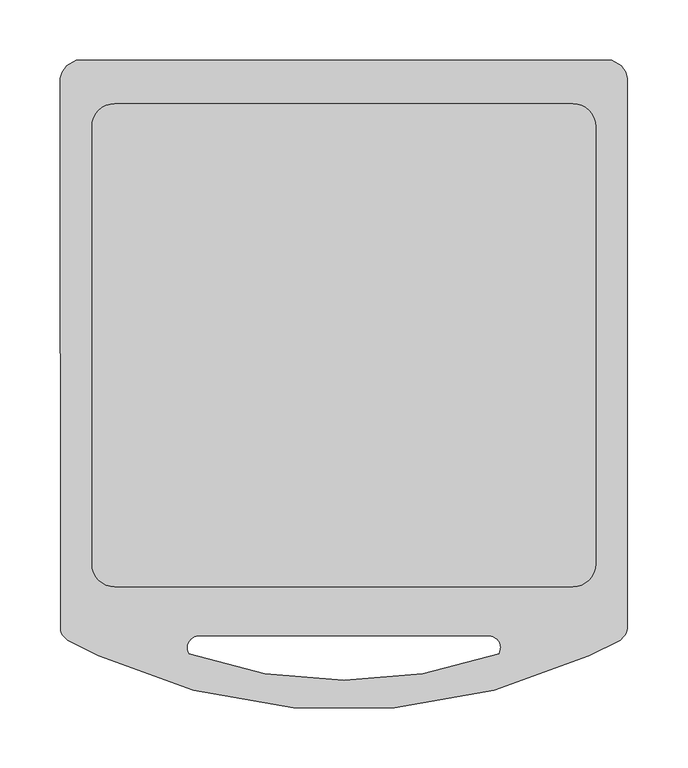
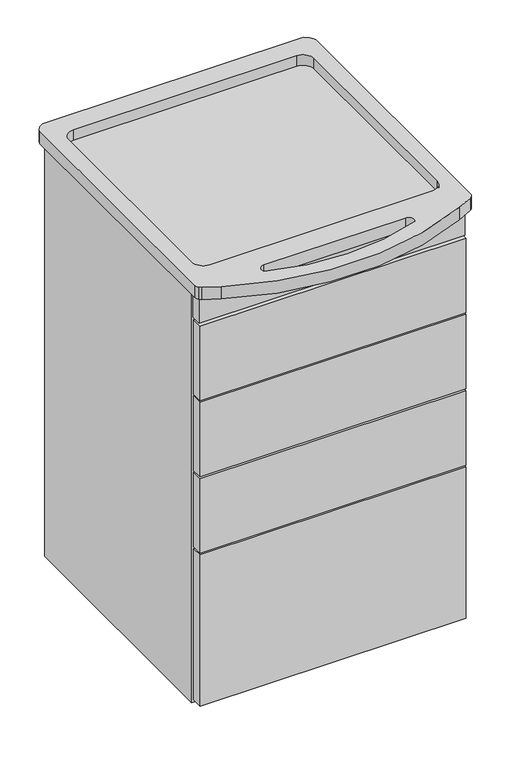
"""IFC4 building model written with IfcOpenShell, lengths in millimetres: furniture geometry."""

import ifcopenshell
import ifcopenshell.guid

model = None  # the IFC model being written
_history = None  # IfcOwnerHistory: only IFC2X3 demands one
_inside = {}  # id of a spatial element -> (the spatial element, [elements in it])
_under = {}  # id of a project, library or spatial element -> (it, [spatial elements below it])
_declared = {}  # id of a project -> (the project, [libraries it declares])
_typed = {}  # id of a type object -> (the type object, [elements of that type])
_made_of = {}  # id of a material, layer set ... -> (it, [elements and type objects made of it])


def new_model(schema):
    """Start an empty IFC model of exactly this schema.

    Asked for "IFC4X3", IfcOpenShell would pick the latest addendum, in which some entities
    have other attributes; the version numbers below select the first issue.
    IFC2X3 requires an IfcOwnerHistory on every rooted entity: one is made here for all.
    """
    global model, _history
    if schema == "IFC4X3":
        model = ifcopenshell.file(schema_version=(4, 3, 0, 0))
    else:
        model = ifcopenshell.file(schema=schema)
    _inside.clear()
    _under.clear()
    _declared.clear()
    _typed.clear()
    _made_of.clear()
    _history = None
    if model.schema == "IFC2X3":
        org = make("IfcOrganization", Name="unknown")
        user = make(
            "IfcPersonAndOrganization",
            ThePerson=make("IfcPerson", FamilyName="unknown"),
            TheOrganization=org,
        )
        app = make(
            "IfcApplication",
            ApplicationDeveloper=org,
            Version="unknown",
            ApplicationFullName="unknown",
            ApplicationIdentifier="unknown",
        )
        _history = make(
            "IfcOwnerHistory",
            OwningUser=user,
            OwningApplication=app,
            ChangeAction="ADDED",
            CreationDate=0,
        )
    return model


def make(cls, **values):
    """One entity of the class cls with the attributes given. An attribute that is None is left unset."""
    return model.create_entity(
        cls, **{name: value for name, value in values.items() if value is not None}
    )


def rooted(cls, **values):
    """An entity with a GlobalId (a new one), such as an element, a storey or a relation."""
    return make(cls, GlobalId=ifcopenshell.guid.new(), OwnerHistory=_history, **values)


def si_unit(unit_type, name, prefix=None):
    """IfcSIUnit, for example si_unit("LENGTHUNIT", "METRE", prefix="MILLI")."""
    return make("IfcSIUnit", UnitType=unit_type, Prefix=prefix, Name=name)


def assignment(units):
    """IfcUnitAssignment: the units of a project."""
    return None if units is None else make("IfcUnitAssignment", Units=units)


def point(xyz):
    """IfcCartesianPoint."""
    return None if xyz is None else make("IfcCartesianPoint", Coordinates=xyz)


def direction(xyz):
    """IfcDirection."""
    return None if xyz is None else make("IfcDirection", DirectionRatios=xyz)


def frame(location, z_axis=None, x_axis=None):
    """IfcAxis2Placement3D, a coordinate frame: its origin and axes. An axis left out is left unset."""
    return make(
        "IfcAxis2Placement3D",
        Location=point(location),
        Axis=direction(z_axis),
        RefDirection=direction(x_axis),
    )


def origin():
    """The frame at (0, 0, 0) with its axes left unset."""
    return frame((0.0, 0.0, 0.0))


def place(relative_to, where):
    """IfcLocalPlacement: puts the frame where relative to a parent placement (None: the world)."""
    return make(
        "IfcLocalPlacement", PlacementRelTo=relative_to, RelativePlacement=where
    )


def context(
    kind, dimensions, precision=None, world=None, true_north=None, identifier=None
):
    """IfcGeometricRepresentationContext, for example the 3D "Model" context."""
    return make(
        "IfcGeometricRepresentationContext",
        ContextIdentifier=identifier,
        ContextType=kind,
        CoordinateSpaceDimension=dimensions,
        Precision=precision,
        WorldCoordinateSystem=world,
        TrueNorth=true_north,
    )


def project(units=None, contexts=None):
    """IfcProject with its units and contexts."""
    return rooted(
        "IfcProject",
        Name="project",
        RepresentationContexts=contexts,
        UnitsInContext=assignment(units),
    )


def spatial(cls, under=None, at=None, **own):
    """A site, building, storey or space (cls), placed at a placement, below another one or the project."""
    s = rooted(cls, ObjectPlacement=at, **own)
    if under is not None:
        _under.setdefault(under.id(), (under, []))[1].append(s)
    return s


def polyline(points):
    """IfcPolyline through the points."""
    return make("IfcPolyline", Points=[point(p) for p in points])


def circle_curve(where, radius):
    """IfcCircle in the frame where."""
    return make("IfcCircle", Position=where, Radius=radius)


def outline(outer, holes=None, kind="AREA"):
    """IfcArbitraryClosedProfileDef: a profile drawn as a closed curve; with holes, ...WithVoids."""
    if holes is None:
        return make("IfcArbitraryClosedProfileDef", ProfileType=kind, OuterCurve=outer)
    return make(
        "IfcArbitraryProfileDefWithVoids",
        ProfileType=kind,
        OuterCurve=outer,
        InnerCurves=holes,
    )


def extrude(swept, where, along, depth):
    """IfcExtrudedAreaSolid: the profile swept, set in the frame where, extruded along a direction by depth."""
    return make(
        "IfcExtrudedAreaSolid",
        SweptArea=swept,
        Position=where,
        ExtrudedDirection=direction(along),
        Depth=depth,
    )


def shape(context_of_items, identifier, shape_type, items):
    """IfcShapeRepresentation: the items that make up one representation, for example the "Body"."""
    return make(
        "IfcShapeRepresentation",
        ContextOfItems=context_of_items,
        RepresentationIdentifier=identifier,
        RepresentationType=shape_type,
        Items=items,
    )


def source(mapping_origin, context_of_items, identifier, shape_type, items):
    """IfcRepresentationMap: a shape defined once, which mapped items show again and again."""
    return make(
        "IfcRepresentationMap",
        MappingOrigin=mapping_origin,
        MappedRepresentation=shape(context_of_items, identifier, shape_type, items),
    )


def transform(
    local_origin,
    x_axis=None,
    y_axis=None,
    z_axis=None,
    scale=None,
    scale2=None,
    scale3=None,
    uniform=True,
):
    """IfcCartesianTransformationOperator3D, or its non-uniform kind. x_axis, y_axis, z_axis: its Axis1, 2, 3."""
    if uniform:
        return make(
            "IfcCartesianTransformationOperator3D",
            Axis1=direction(x_axis),
            Axis2=direction(y_axis),
            LocalOrigin=point(local_origin),
            Scale=scale,
            Axis3=direction(z_axis),
        )
    return make(
        "IfcCartesianTransformationOperator3DnonUniform",
        Axis1=direction(x_axis),
        Axis2=direction(y_axis),
        LocalOrigin=point(local_origin),
        Scale=scale,
        Axis3=direction(z_axis),
        Scale2=scale2,
        Scale3=scale3,
    )


def mapped(mapping_source, mapping_target):
    """IfcMappedItem: shows the shape of a source again, moved by a transform."""
    return make(
        "IfcMappedItem", MappingSource=mapping_source, MappingTarget=mapping_target
    )


def made_of(thing, what):
    """Note that an element or type object is made of a material, layer set ...; save() writes the relation."""
    if what is not None:
        _made_of.setdefault(what.id(), (what, []))[1].append(thing)
    return thing


def element(
    cls,
    number,
    at=None,
    inside=None,
    cuts=None,
    type_object=None,
    material=None,
    context=None,
    identifier="Body",
    shape_type=None,
    held_by="IfcProductDefinitionShape",
    body=None,
    shapes=None,
    **own,
):
    """One element of the class cls, such as IfcWall. Its Tag is "e" and its number.

    at: its placement. inside: the storey or other place that contains it. cuts: it is an
    opening in that element (IfcRelVoidsElement). A single representation is given by context,
    identifier, shape_type and body (its items); several are given by shapes. held_by: the class
    of the entity that holds the representations. save() writes the other relations.
    """
    e = rooted(cls, Tag="e%d" % number, ObjectPlacement=at, **own)
    if body is not None:
        shapes = [shape(context, identifier, shape_type, body)]
    if shapes is not None:
        e.Representation = make(held_by, Representations=shapes)
    if inside is not None:
        _inside.setdefault(inside.id(), (inside, []))[1].append(e)
    if cuts is not None:
        rooted(
            "IfcRelVoidsElement", RelatingBuildingElement=cuts, RelatedOpeningElement=e
        )
    if type_object is not None:
        _typed.setdefault(type_object.id(), (type_object, []))[1].append(e)
    return made_of(e, material)


def aggregate(whole, parts):
    """IfcRelAggregates: a whole, such as a stair, and the parts it consists of."""
    return rooted("IfcRelAggregates", RelatingObject=whole, RelatedObjects=parts)


def save(model, path):
    """Write the relations noted so far, then the file.

    IfcRelAggregates (storeys below a building ...), IfcRelContainedInSpatialStructure (elements
    in a storey), IfcRelDefinesByType, IfcRelAssociatesMaterial and IfcRelDeclares: one each for
    every whole, place, type object, material and project.
    """
    for whole, parts in _under.values():
        aggregate(whole, parts)
    for where, things in _inside.values():
        rooted(
            "IfcRelContainedInSpatialStructure",
            RelatedElements=things,
            RelatingStructure=where,
        )
    for kind, things in _typed.values():
        rooted("IfcRelDefinesByType", RelatedObjects=things, RelatingType=kind)
    for what, things in _made_of.values():
        rooted("IfcRelAssociatesMaterial", RelatedObjects=things, RelatingMaterial=what)
    for by, libraries in _declared.values():
        rooted("IfcRelDeclares", RelatingContext=by, RelatedDefinitions=libraries)
    model.write(path)


def plane_surface(at):
    """IfcPlane: the flat surface through the origin of the frame at, square to its z axis."""
    return make("IfcPlane", Position=at)


def cylinder_surface(at, radius):
    """IfcCylindricalSurface: all points at the distance radius from the z axis of the frame at."""
    return make("IfcCylindricalSurface", Position=at, Radius=radius)


def revolved_surface(curve, axis_point, axis_direction):
    """IfcSurfaceOfRevolution: the curve turned about the line through axis_point along axis_direction."""
    return make(
        "IfcSurfaceOfRevolution",
        SweptCurve=make("IfcArbitraryOpenProfileDef", ProfileType="CURVE", Curve=curve),
        AxisPosition=make("IfcAxis1Placement", Location=point(axis_point), Axis=direction(axis_direction)),
    )


def advanced_brep(points, edges, surfaces, faces):
    """IfcAdvancedBrep: a solid bounded by faces that lie on surfaces and meet in shared edges.

    An edge is (start, end): straight between two places in points (the first is 0);
    or (start, end, curve); or (start, end, curve, False) where it runs against its curve.
    A face is (place in surfaces, loops), or (place, loops, False) where it looks against
    its surface's normal. A loop lists edges by number (the first is 1), with a minus sign
    where the edge is run from its end to its start. The first loop is the outer one.
    """
    corners = [point(p) for p in points]
    vertices = [make("IfcVertexPoint", VertexGeometry=c) for c in corners]
    made = []
    for start, end, *more in edges:
        made.append(
            make(
                "IfcEdgeCurve",
                EdgeStart=vertices[start],
                EdgeEnd=vertices[end],
                EdgeGeometry=more[0] if more else make("IfcPolyline", Points=[corners[start], corners[end]]),
                SameSense=more[1] if len(more) > 1 else True,
            )
        )
    hull = []
    for where, loops, *sense in faces:
        bounds = []
        for j, loop in enumerate(loops):
            ring = [make("IfcOrientedEdge", EdgeElement=made[abs(k) - 1], Orientation=k > 0) for k in loop]
            bounds.append(
                make(
                    "IfcFaceOuterBound" if j == 0 else "IfcFaceBound",
                    Bound=make("IfcEdgeLoop", EdgeList=ring),
                    Orientation=True,
                )
            )
        hull.append(make("IfcAdvancedFace", Bounds=bounds, FaceSurface=surfaces[where], SameSense=sense[0] if sense else True))
    return make("IfcAdvancedBrep", Outer=make("IfcClosedShell", CfsFaces=hull))


def furniture_776fbc2e(model_context):
    return source(origin(), model_context, "Body", "SolidModel", [
        advanced_brep(
        [(222.5931901, 233.1136961, 840.6333253), (230.3587771, 228.3483075, 840.6333253), (234.1839615, 222.9955637, 840.6333253), (235.7365193, 218.0941551, 840.6333253), (235.4400586, -238.9696138, 840.6333253), (232.8264801, -245.3947515, 840.6333253), (229.6595647, -248.6509927, 840.6333253), (203.659462, -261.5116539, 840.6333253), (-203.659462, -261.5116539, 840.6333253), (-229.6595647, -248.6509927, 840.6333253), (-232.8264801, -245.3947515, 840.6333253), (-235.4380984, -238.969632, 840.6333253), (-235.7355201, 218.0897949, 840.6333253), (-234.1839615, 222.9955637, 840.6333253), (-230.3587771, 228.3483075, 840.6333253), (-222.5552018, 233.1136961, 840.6333253), (120.4570467, -245.147214, 840.6333253), (-120.4570467, -245.147214, 840.6333253), (-128.6356265, -259.5544735, 840.6333253), (128.6356265, -259.5544735, 840.6333253), (222.5931901, 233.1136961, 862.8385557), (-222.5552018, 233.1136961, 862.8385557), (-230.3587771, 228.3483075, 862.8385557), (-234.1839615, 222.9955637, 862.8385557), (-235.7355201, 218.0897949, 862.8385557), (-235.4380984, -238.969632, 862.8385557), (-232.8264801, -245.3947515, 862.8385557), (-229.6595647, -248.6509927, 862.8385557), (-203.659462, -261.5116539, 862.8385557), (203.659462, -261.5116539, 862.8385557), (229.6595647, -248.6509927, 862.8385557), (232.8264801, -245.3947515, 862.8385557), (235.4380984, -238.9696126, 862.8385557), (235.7365193, 218.0941551, 862.8385557), (234.1839615, 222.9955637, 862.8385557), (230.3587771, 228.3483075, 862.8385557), (-120.4570467, -245.147214, 862.8385557), (120.4570467, -245.147214, 862.8385557), (128.6356265, -259.5544735, 862.8385557), (-128.6356265, -259.5544735, 862.8385557), (209.2959821, 178.0158965, 862.8385557), (209.2959821, -185.1596446, 862.8385557), (190.245983, -204.2096437, 862.8385557), (-190.2562209, -204.2096437, 862.8385557), (-209.2959821, -185.1596465, 862.8385557), (-209.2959821, 178.0158965, 862.8385557), (-190.2459821, 197.0658965, 862.8385557), (190.2459821, 197.0658965, 862.8385557), (209.2959821, 178.0158965, 843.7873892), (190.2459821, 197.0658965, 843.7873892), (-190.2459821, 197.0658965, 843.7873892), (-209.2959821, 178.0158965, 843.7873892), (-209.2959821, -185.1596465, 843.7873892), (-190.2562209, -204.2096437, 843.7873892), (190.245983, -204.2096437, 843.7873892), (209.2959821, -185.1596446, 843.7873892)],
        [
            (0, 1),
            (1, 2),
            (2, 3),
            (3, 4),
            (4, 5, circle_curve(frame((226.2139627, -238.9636296, 840.6333253), z_axis=(0.0, 0.0, -1.0), x_axis=(1.0, 0.0, 0.0)), 9.2241377)),
            (5, 6),
            (6, 7),
            (7, 8, circle_curve(frame((0.0, 179.029615, 840.6333253), z_axis=(0.0, 0.0, -1.0), x_axis=(1.0, 0.0, 0.0)), 485.3388364)),
            (8, 9),
            (9, 10),
            (10, 11, circle_curve(frame((-226.2139627, -238.9636296, 840.6333253), z_axis=(0.0, 0.0, -1.0), x_axis=(1.0, 0.0, 0.0)), 9.2241377)),
            (11, 12),
            (12, 13),
            (13, 14),
            (14, 15),
            (15, 0),
            (16, 17),
            (17, 18, circle_curve(frame((-120.4570467, -254.672214, 840.6333253), z_axis=(0.0, 0.0, 1.0), x_axis=(1.0, 0.0, 0.0)), 9.525)),
            (18, 19, circle_curve(frame((0.0, 101.9789974, 840.6333253), z_axis=(0.0, 0.0, 1.0), x_axis=(1.0, 0.0, 0.0)), 383.7363352)),
            (19, 16, circle_curve(frame((120.4570467, -254.672214, 840.6333253), z_axis=(0.0, 0.0, 1.0), x_axis=(1.0, 0.0, 0.0)), 9.525)),
            (20, 21),
            (21, 22),
            (22, 23),
            (23, 24),
            (24, 25),
            (25, 26, circle_curve(frame((-226.2139627, -238.9636296, 862.8385557), z_axis=(0.0, 0.0, 1.0), x_axis=(1.0, 0.0, 0.0)), 9.2241377)),
            (26, 27),
            (27, 28),
            (28, 29, circle_curve(frame((0.0, 179.029615, 862.8385557), z_axis=(0.0, 0.0, 1.0), x_axis=(1.0, 0.0, 0.0)), 485.3388364)),
            (29, 30),
            (30, 31),
            (31, 32, circle_curve(frame((226.2139627, -238.9636296, 862.8385557), z_axis=(0.0, 0.0, 1.0), x_axis=(1.0, 0.0, 0.0)), 9.2241377)),
            (32, 33),
            (33, 34),
            (34, 35),
            (35, 20),
            (36, 37),
            (37, 38, circle_curve(frame((120.4570467, -254.672214, 862.8385557), z_axis=(0.0, 0.0, -1.0), x_axis=(1.0, 0.0, 0.0)), 9.525)),
            (38, 39, circle_curve(frame((0.0, 101.9789974, 862.8385557), z_axis=(0.0, 0.0, -1.0), x_axis=(1.0, 0.0, 0.0)), 383.7363352)),
            (39, 36, circle_curve(frame((-120.4570467, -254.672214, 862.8385557), z_axis=(0.0, 0.0, -1.0), x_axis=(1.0, 0.0, 0.0)), 9.525)),
            (40, 41),
            (41, 42, circle_curve(frame((190.245983, -185.1596446, 862.8385557), z_axis=(0.0, 0.0, -1.0), x_axis=(1.0, 0.0, 0.0)), 19.0499991)),
            (42, 43),
            (43, 44, circle_curve(frame((-190.2459821, -185.1596465, 862.8385557), z_axis=(0.0, 0.0, -1.0), x_axis=(1.0, 0.0, 0.0)), 19.05)),
            (44, 45),
            (45, 46, circle_curve(frame((-190.2459821, 178.0158965, 862.8385557), z_axis=(0.0, 0.0, -1.0), x_axis=(1.0, 0.0, 0.0)), 19.05)),
            (46, 47),
            (47, 40, circle_curve(frame((190.2459821, 178.0158965, 862.8385557), z_axis=(0.0, 0.0, -1.0), x_axis=(1.0, 0.0, 0.0)), 19.05)),
            (15, 21),
            (20, 0),
            (14, 22),
            (13, 23),
            (12, 24),
            (11, 25),
            (10, 26),
            (9, 27),
            (8, 28),
            (7, 29),
            (6, 30),
            (5, 31),
            (4, 32),
            (3, 33),
            (2, 34),
            (1, 35),
            (36, 17),
            (16, 37),
            (39, 18),
            (38, 19),
            (48, 49, circle_curve(frame((190.2459821, 178.0158965, 843.7873892), z_axis=(0.0, 0.0, 1.0), x_axis=(1.0, 0.0, 0.0)), 19.05)),
            (49, 50),
            (50, 51, circle_curve(frame((-190.2459821, 178.0158965, 843.7873892), z_axis=(0.0, 0.0, 1.0), x_axis=(1.0, 0.0, 0.0)), 19.05)),
            (51, 52),
            (52, 53, circle_curve(frame((-190.2459821, -185.1596465, 843.7873892), z_axis=(0.0, 0.0, 1.0), x_axis=(1.0, 0.0, 0.0)), 19.05)),
            (53, 54),
            (54, 55, circle_curve(frame((190.245983, -185.1596446, 843.7873892), z_axis=(0.0, 0.0, 1.0), x_axis=(1.0, 0.0, 0.0)), 19.0499991)),
            (55, 48),
            (55, 41),
            (40, 48),
            (49, 47),
            (46, 50),
            (51, 45),
            (44, 52),
            (43, 53),
            (42, 54),
        ],
        [
            plane_surface(frame((-222.5552018, 233.1136961, 840.6333253), z_axis=(0.0, 0.0, -1.0), x_axis=(1.0, 0.0, 0.0))),
            plane_surface(frame((-222.5552018, 233.1136961, 862.8385557), z_axis=(0.0, 0.0, 1.0), x_axis=(-1.0, 0.0, 0.0))),
            plane_surface(frame((222.5931901, 233.1136961, 862.8385557), z_axis=(0.0, 1.0, 0.0), x_axis=(0.0, 0.0, -1.0))),
            plane_surface(frame((-222.5552018, 233.1136961, 862.8385557), z_axis=(-0.5211742338953517, 0.853450301964674, 0.0), x_axis=(0.0, 0.0, -1.0))),
            plane_surface(frame((-230.3587771, 228.3483075, 862.8385557), z_axis=(-0.8136043362647492, 0.5814189401895994, 0.0), x_axis=(0.0, 0.0, -1.0))),
            plane_surface(frame((-234.1839615, 222.9955637, 862.8385557), z_axis=(-0.9534503911094768, 0.30154991575721923, 0.0), x_axis=(0.0, 0.0, -1.0))),
            plane_surface(frame((-235.7355201, 218.0897949, 862.8385557), z_axis=(-0.9999997882761255, -0.0006507285950040101, 0.0), x_axis=(0.0, 0.0, -1.0))),
            cylinder_surface(frame((-226.2139627, -238.9636296, 840.6333253), z_axis=(0.0, 0.0, 1.0), x_axis=(1.0, 0.0, 0.0)), 9.2241377),
            plane_surface(frame((-232.8264801, -245.3947515, 862.8385557), z_axis=(-0.7168710707876679, -0.6972057571963549, 0.0), x_axis=(0.0, 0.0, -1.0))),
            plane_surface(frame((-229.6595647, -248.6509927, 862.8385557), z_axis=(-0.44336513879276845, -0.8963410922764109, 0.0), x_axis=(0.0, 0.0, -1.0))),
            cylinder_surface(frame((0.0, 179.029615, 840.6333253), z_axis=(0.0, 0.0, 1.0), x_axis=(1.0, 0.0, 0.0)), 485.3388364),
            plane_surface(frame((203.659462, -261.5116539, 862.8385557), z_axis=(0.44336513879277206, -0.896341092276409, 0.0), x_axis=(0.0, 0.0, -1.0))),
            plane_surface(frame((229.6595647, -248.6509927, 862.8385557), z_axis=(0.7168710707876674, -0.6972057571963554, 0.0), x_axis=(0.0, 0.0, -1.0))),
            cylinder_surface(frame((226.2139627, -238.9636296, 840.6333253), z_axis=(0.0, 0.0, 1.0), x_axis=(1.0, 0.0, 0.0)), 9.2241377),
            plane_surface(frame((235.4400586, -238.9696138, 862.8385557), z_axis=(0.9999997896460948, -0.0006486198934122751, 0.0), x_axis=(0.0, 0.0, -1.0))),
            plane_surface(frame((235.7365193, 218.0941551, 862.8385557), z_axis=(0.9533173061382403, 0.3019703856627812, 0.0), x_axis=(0.0, 0.0, -1.0))),
            plane_surface(frame((234.1839615, 222.9955637, 862.8385557), z_axis=(0.8136043362647541, 0.5814189401895926, 0.0), x_axis=(0.0, 0.0, -1.0))),
            plane_surface(frame((230.3587771, 228.3483075, 862.8385557), z_axis=(0.5230275447281412, 0.8523157791896454, 0.0), x_axis=(0.0, 0.0, -1.0))),
            plane_surface(frame((120.4570467, -245.147214, 862.8385557), z_axis=(0.0, -1.0, 0.0), x_axis=(0.0, 0.0, -1.0))),
            revolved_surface(polyline([(-110.9320467, -254.672214, 862.8385557), (-110.9320467, -254.672214, 840.6333253)]), (-120.4570467, -254.672214, 840.6333253), (0.0, 0.0, 1.0)),
            revolved_surface(polyline([(383.7363352, 101.9789974, 862.8385557), (383.7363352, 101.9789974, 840.6333253)]), (0.0, 101.9789974, 840.6333253), (0.0, 0.0, 1.0)),
            revolved_surface(polyline([(129.9820467, -254.672214, 862.8385557), (129.9820467, -254.672214, 840.6333253)]), (120.4570467, -254.672214, 840.6333253), (0.0, 0.0, 1.0)),
            plane_surface(frame((209.2959821, 178.0158965, 843.7873892), z_axis=(0.0, 0.0, 1.0), x_axis=(0.0, -1.0, 0.0))),
            plane_surface(frame((209.2959821, -185.1596446, 862.8385557), z_axis=(-1.0, 0.0, 0.0), x_axis=(0.0, 0.0, -1.0))),
            plane_surface(frame((190.2459821, 197.0658965, 862.8385557), z_axis=(0.0, -1.0, 0.0), x_axis=(0.0, 0.0, -1.0))),
            plane_surface(frame((-209.2959821, 178.0158965, 862.8385557), z_axis=(1.0, 0.0, 0.0), x_axis=(0.0, 0.0, -1.0))),
            revolved_surface(polyline([(209.2959821, 178.0158965, 862.8385557), (209.2959821, 178.0158965, 843.7873892)]), (190.2459821, 178.0158965, 843.7873892), (0.0, 0.0, 1.0)),
            revolved_surface(polyline([(-171.19598209999998, 178.0158965, 862.8385557), (-171.19598209999998, 178.0158965, 843.7873892)]), (-190.2459821, 178.0158965, 843.7873892), (0.0, 0.0, 1.0)),
            revolved_surface(polyline([(-171.19598209999998, -185.1596465, 862.8385557), (-171.19598209999998, -185.1596465, 843.7873892)]), (-190.2459821, -185.1596465, 843.7873892), (0.0, 0.0, 1.0)),
            plane_surface(frame((-190.2562209, -204.2096437, 862.8385557), z_axis=(0.0, 1.0, 0.0), x_axis=(0.0, 0.0, -1.0))),
            revolved_surface(polyline([(209.2959821, -185.1596446, 862.8385557), (209.2959821, -185.1596446, 843.7873892)]), (190.245983, -185.1596446, 843.7873892), (0.0, 0.0, 1.0)),
        ],
        [
            (0, [[1, 2, 3, 4, 5, 6, 7, 8, 9, 10, 11, 12, 13, 14, 15, 16], [17, 18, 19, 20]]),
            (1, [[21, 22, 23, 24, 25, 26, 27, 28, 29, 30, 31, 32, 33, 34, 35, 36], [37, 38, 39, 40], [41, 42, 43, 44, 45, 46, 47, 48]]),
            (2, [[-16, 49, -21, 50]]),
            (3, [[-15, 51, -22, -49]]),
            (4, [[-14, 52, -23, -51]]),
            (5, [[-13, 53, -24, -52]]),
            (6, [[-12, 54, -25, -53]]),
            (7, [[-11, 55, -26, -54]]),
            (8, [[-10, 56, -27, -55]]),
            (9, [[-9, 57, -28, -56]]),
            (10, [[-8, 58, -29, -57]]),
            (11, [[-7, 59, -30, -58]]),
            (12, [[-6, 60, -31, -59]]),
            (13, [[-5, 61, -32, -60]]),
            (14, [[-4, 62, -33, -61]]),
            (15, [[-3, 63, -34, -62]]),
            (16, [[-2, 64, -35, -63]]),
            (17, [[-1, -50, -36, -64]]),
            (18, [[65, -17, 66, -37]]),
            (19, [[-65, -40, 67, -18]]),
            (20, [[-67, -39, 68, -19]]),
            (21, [[-66, -20, -68, -38]]),
            (22, [[69, 70, 71, 72, 73, 74, 75, 76]]),
            (23, [[-76, 77, -41, 78]]),
            (24, [[-70, 79, -47, 80]]),
            (25, [[-72, 81, -45, 82]]),
            (26, [[-69, -78, -48, -79]]),
            (27, [[-71, -80, -46, -81]]),
            (28, [[-73, -82, -44, 83]]),
            (29, [[-74, -83, -43, 84]]),
            (30, [[-75, -84, -42, -77]]),
        ],
    ),
        extrude(outline(polyline([(226.7076918, -221.2467061), (226.7076918, -240.2458916), (-226.7076918, -240.2458916), (-226.7076918, -221.2467061), (226.7076918, -221.2467061)])), frame((0.0, 0.0, 101.0869166), z_axis=(0.0, 0.0, 1.0), x_axis=(1.0, 0.0, 0.0)), (0.0, 0.0, 1.0), 272.8976032),
        extrude(outline(polyline([(226.7076918, -221.2467061), (226.7076918, -240.2458916), (-226.7076918, -240.2458916), (-226.7076918, -221.2467061), (226.7076918, -221.2467061)])), frame((0.0, 0.0, 652.2161197), z_axis=(0.0, 0.0, 1.0), x_axis=(1.0, 0.0, 0.0)), (0.0, 0.0, 1.0), 134.365999),
        extrude(outline(polyline([(226.7076918, -221.2467061), (226.7076918, -240.2458916), (-226.7076918, -240.2458916), (-226.7076918, -221.2467061), (226.7076918, -221.2467061)])), frame((0.0, 0.0, 514.6751328), z_axis=(0.0, 0.0, 1.0), x_axis=(1.0, 0.0, 0.0)), (0.0, 0.0, 1.0), 134.365999),
        extrude(outline(polyline([(226.7076918, -221.2467061), (226.7076918, -240.2458916), (-226.7076918, -240.2458916), (-226.7076918, -221.2467061), (226.7076918, -221.2467061)])), frame((0.0, 0.0, 377.1595077), z_axis=(0.0, 0.0, 1.0), x_axis=(1.0, 0.0, 0.0)), (0.0, 0.0, 1.0), 134.365999),
        extrude(outline(polyline([(226.7076918, -218.0717), (226.7076918, -237.0709037), (-226.7076918, -237.0709037), (-226.7076918, -218.0717), (226.7076918, -218.0717)])), frame((0.0, 0.0, 789.7571429), z_axis=(0.0, 0.0, 1.0), x_axis=(1.0, 0.0, 0.0)), (0.0, 0.0, 1.0), 50.8761824),
        extrude(outline(polyline([(-209.2959821, 217.0810992), (-209.2959821, -218.0717), (-228.2952039, -218.0717), (-228.2952039, 217.0810992), (-209.2959821, 217.0810992)])), frame((0.0, 0.0, 94.7369227), z_axis=(0.0, 0.0, 1.0), x_axis=(1.0, 0.0, 0.0)), (0.0, 0.0, 1.0), 745.8964026),
        extrude(outline(polyline([(228.2952039, 217.0810992), (228.2952039, -218.0717), (209.2959821, -218.0717), (209.2959821, 217.0810992), (228.2952039, 217.0810992)])), frame((0.0, 0.0, 94.7369227), z_axis=(0.0, 0.0, 1.0), x_axis=(1.0, 0.0, 0.0)), (0.0, 0.0, 1.0), 745.8964026),
        extrude(outline(polyline([(209.2959821, 197.0658965), (-209.2959821, 197.0658965), (-209.2959821, 217.0810992), (209.2959821, 217.0810992), (209.2959821, 197.0658965)])), frame((0.0, 0.0, 94.7369227), z_axis=(0.0, 0.0, 1.0), x_axis=(1.0, 0.0, 0.0)), (0.0, 0.0, 1.0), 745.8964026),
    ])


if __name__ == "__main__":
    model = new_model("IFC4")
    model_context = context("Model", 3, world=origin())
    ifc_project = project(units=[si_unit("LENGTHUNIT", "METRE", prefix="MILLI")], contexts=[model_context])
    site = spatial("IfcSite", under=ifc_project)
    building = spatial("IfcBuilding", under=site)
    placement = place(None, origin())
    furniture_shape = furniture_776fbc2e(model_context)
    element("IfcFurniture", 1, at=placement, inside=building, context=model_context, shape_type="MappedRepresentation", body=[
        mapped(furniture_shape, transform((0.0, 0.0, 0.0), x_axis=(1.0, 0.0, 0.0), y_axis=(0.0, 1.0, 0.0), z_axis=(0.0, 0.0, 1.0))),
    ])
    save(model, "model.ifc")
